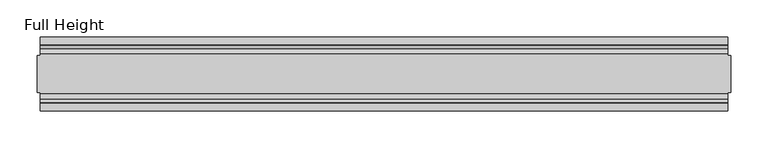
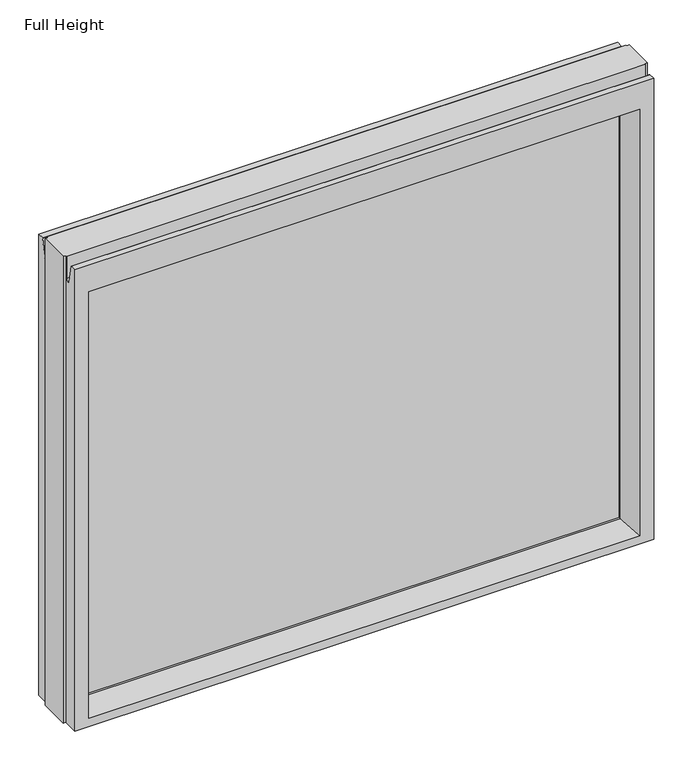
"""IFC4 building model written with IfcOpenShell, lengths in millimetres: plate geometry, Full Height."""

from ifc_helpers import new_model, si_unit, frame, origin, place, context, project, spatial, polyline, circle_curve, outline, extrude, source, transform, mapped, element, save
from ifc_brep_helpers import plane_surface, cylinder_surface, revolved_surface, advanced_brep


def full_height_91c9d0dd(model_context):
    return source(origin(), model_context, "Body", "SolidModel", [
        advanced_brep(
        [(463.330153, 50.0, 0.0), (463.330153, 25.146, 0.0), (467.902153, 25.146, 0.0), (467.902153, -25.146, 0.0), (463.330153, -25.146, 0.0), (463.330153, -50.0, 0.0), (-463.330153, -50.0, 0.0), (-463.330153, -25.146, 0.0), (-467.902153, -25.146, 0.0), (-467.902153, 25.146, 0.0), (-463.330153, 25.146, 0.0), (-463.330153, 50.0, 0.0), (467.902153, 25.146, 789.94), (463.330153, 25.146, 789.94), (463.330153, 26.67, 789.94), (-463.330153, 26.67, 789.94), (-463.330153, 25.146, 789.94), (-467.902153, 25.146, 789.94), (-467.902153, -25.146, 789.94), (-463.330153, -25.146, 789.94), (-463.330153, -26.67, 789.94), (463.330153, -26.67, 789.94), (463.330153, -25.146, 789.94), (467.902153, -25.146, 789.94), (-463.330153, 26.67, 752.729), (463.330153, 26.67, 752.729), (-463.330153, -50.0, 780.796), (-463.330153, -39.9371387, 780.796), (-463.330153, -39.1867152, 780.1663199), (-463.330153, -34.2321175, 752.0674004), (-463.330153, -26.67, 752.729), (-463.330153, 34.2321175, 752.0674004), (-463.330153, 39.1867152, 780.1663199), (-463.330153, 39.9371387, 780.796), (-463.330153, 50.0, 780.796), (463.330153, -50.0, 780.796), (-441.232153, -50.0, 736.219), (441.232153, -50.0, 736.219), (441.232153, -50.0, 13.9954), (-441.232153, -50.0, 13.9954), (463.330153, 50.0, 780.796), (-441.232153, 50.0, 13.9954), (441.232153, 50.0, 13.9954), (441.232153, 50.0, 736.219), (-441.232153, 50.0, 736.219), (-435.263153, -6.1006519, 18.3896), (-435.263153, -6.1006519, 730.25), (-435.263153, 6.1006519, 730.25), (-435.263153, 6.1006519, 18.3896), (435.263153, 6.1006519, 18.3896), (435.263153, 6.1006519, 730.25), (435.263153, -6.1006519, 730.25), (435.263153, -6.1006519, 18.3896), (463.330153, 39.9371387, 780.796), (463.330153, 39.1867152, 780.1663199), (463.330153, 34.2321175, 752.0674004), (463.330153, -26.67, 752.729), (463.330153, -34.2321175, 752.0674004), (463.330153, -39.1867152, 780.1663199), (463.330153, -39.9371387, 780.796)],
        [
            (0, 1),
            (1, 2),
            (2, 3),
            (3, 4),
            (4, 5),
            (5, 6),
            (6, 7),
            (7, 8),
            (8, 9),
            (9, 10),
            (10, 11),
            (11, 0),
            (12, 13),
            (13, 14),
            (14, 15),
            (15, 16),
            (16, 17),
            (17, 18),
            (18, 19),
            (19, 20),
            (20, 21),
            (21, 22),
            (22, 23),
            (23, 12),
            (1, 13),
            (12, 2),
            (22, 4),
            (3, 23),
            (17, 9),
            (8, 18),
            (7, 19),
            (16, 10),
            (24, 15),
            (14, 25),
            (25, 24),
            (6, 26),
            (26, 27),
            (27, 28, circle_curve(frame((-463.330153, -39.9371387, 780.034), z_axis=(-1.0, 0.0, 0.0), x_axis=(0.0, -1.0, 0.0)), 0.762)),
            (28, 29),
            (29, 30, circle_curve(frame((-463.330153, -30.48, 752.729), z_axis=(1.0, 0.0, 0.0), x_axis=(0.0, -1.0, 0.0)), 3.81)),
            (30, 20),
            (24, 31, circle_curve(frame((-463.330153, 30.48, 752.729), z_axis=(1.0, 0.0, 0.0), x_axis=(0.0, -1.0, 0.0)), 3.81)),
            (31, 32),
            (32, 33, circle_curve(frame((-463.330153, 39.9371387, 780.034), z_axis=(-1.0, 0.0, 0.0), x_axis=(0.0, -1.0, 0.0)), 0.762)),
            (33, 34),
            (34, 11),
            (5, 35),
            (35, 26),
            (36, 37),
            (37, 38),
            (38, 39),
            (39, 36),
            (34, 40),
            (40, 0),
            (41, 42),
            (42, 43),
            (43, 44),
            (44, 41),
            (39, 45),
            (45, 46),
            (46, 36),
            (44, 47),
            (47, 48),
            (48, 41),
            (42, 49),
            (49, 50),
            (50, 43),
            (51, 52),
            (52, 38),
            (37, 51),
            (40, 53),
            (53, 54, circle_curve(frame((463.330153, 39.9371387, 780.034), z_axis=(1.0, 0.0, 0.0), x_axis=(0.0, -1.0, 0.0)), 0.762)),
            (54, 55),
            (55, 25, circle_curve(frame((463.330153, 30.48, 752.729), z_axis=(-1.0, 0.0, 0.0), x_axis=(0.0, -1.0, 0.0)), 3.81)),
            (21, 56),
            (56, 57, circle_curve(frame((463.330153, -30.48, 752.729), z_axis=(-1.0, 0.0, 0.0), x_axis=(0.0, -1.0, 0.0)), 3.81)),
            (57, 58),
            (58, 59, circle_curve(frame((463.330153, -39.9371387, 780.034), z_axis=(1.0, 0.0, 0.0), x_axis=(0.0, -1.0, 0.0)), 0.762)),
            (59, 35),
            (33, 53),
            (59, 27),
            (30, 56),
            (46, 51),
            (31, 55),
            (54, 32),
            (58, 28),
            (57, 29),
            (52, 45),
            (48, 49),
            (50, 47),
            (46, 47),
            (50, 51),
            (52, 49),
            (48, 45),
        ],
        [
            plane_surface(frame((-463.330153, -50.0, 0.0), z_axis=(0.0, 0.0, -1.0), x_axis=(0.0, 1.0, 0.0))),
            plane_surface(frame((463.330153, 25.146, 789.94), z_axis=(0.0, 0.0, 1.0), x_axis=(-1.0, 0.0, 0.0))),
            plane_surface(frame((467.902153, 25.146, 789.94), z_axis=(0.0, 1.0, 0.0), x_axis=(0.0, 0.0, -1.0))),
            plane_surface(frame((463.330153, -25.146, 789.94), z_axis=(0.0, -1.0, 0.0), x_axis=(0.0, 0.0, -1.0))),
            plane_surface(frame((467.902153, -25.146, 789.94), z_axis=(1.0, 0.0, 0.0), x_axis=(0.0, 0.0, -1.0))),
            plane_surface(frame((-467.902153, 25.146, 789.94), z_axis=(-1.0, 0.0, 0.0), x_axis=(0.0, 0.0, -1.0))),
            plane_surface(frame((-467.902153, -25.146, 789.94), z_axis=(0.0, -1.0, 0.0), x_axis=(0.0, 0.0, -1.0))),
            plane_surface(frame((-463.330153, 25.146, 789.94), z_axis=(0.0, 1.0, 0.0), x_axis=(0.0, 0.0, -1.0))),
            plane_surface(frame((-463.330153, 26.67, 789.94), z_axis=(0.0, 1.0, 0.0), x_axis=(1.0, 0.0, 0.0))),
            plane_surface(frame((-463.330153, 50.0, 748.0046), z_axis=(-1.0, 0.0, 0.0), x_axis=(0.0, 0.0, -1.0))),
            plane_surface(frame((-463.330153, -50.0, 748.0046), z_axis=(0.0, -1.0, 0.0), x_axis=(0.0, 0.0, -1.0))),
            plane_surface(frame((-441.232153, 50.0, 748.0046), z_axis=(0.0, 1.0, 0.0), x_axis=(0.0, 0.0, -1.0))),
            plane_surface(frame((-441.232153, -50.0, 748.0046), z_axis=(0.990882294353361, -0.13473039277393772, 0.0), x_axis=(0.0, 0.0, -1.0))),
            plane_surface(frame((-435.263153, 6.1006519, 748.0046), z_axis=(0.990882294353361, 0.13473039277393709, 0.0), x_axis=(0.0, 0.0, -1.0))),
            plane_surface(frame((441.232153, 50.0, 748.0046), z_axis=(-0.9908822943533631, 0.13473039277392201, 0.0), x_axis=(0.0, 0.0, -1.0))),
            plane_surface(frame((435.263153, -6.1006519, 748.0046), z_axis=(-0.990882294353359, -0.13473039277395266, 0.0), x_axis=(0.0, 0.0, -1.0))),
            plane_surface(frame((463.330153, -50.0, 748.0046), z_axis=(1.0, 0.0, 0.0), x_axis=(0.0, 0.0, -1.0))),
            plane_surface(frame((-463.330153, 39.9371387, 780.796), z_axis=(0.0, 0.0, 1.0), x_axis=(1.0, 0.0, 0.0))),
            plane_surface(frame((-463.330153, -50.0, 780.796), z_axis=(0.0, 0.0, 1.0), x_axis=(1.0, 0.0, 0.0))),
            plane_surface(frame((-463.330153, -26.67, 752.729), z_axis=(0.0, -1.0, 0.0), x_axis=(1.0, 0.0, 0.0))),
            plane_surface(frame((-463.330153, -6.1006519, 730.25), z_axis=(0.0, -0.13473039277393184, -0.9908822943533617), x_axis=(1.0, 0.0, 0.0))),
            plane_surface(frame((-463.330153, 34.2321175, 752.0674004), z_axis=(0.0, -0.9848077530122081, 0.17364817766693033), x_axis=(1.0, 0.0, 0.0))),
            revolved_surface(polyline([(463.330153, 26.67, 752.729), (-463.330153, 26.67, 752.729)]), (463.330153, 30.48, 752.729), (1.0, 0.0, 0.0)),
            cylinder_surface(frame((463.330153, 39.9371387, 780.034), z_axis=(-1.0, 0.0, 0.0), x_axis=(0.0, -1.0, 0.0)), 0.762),
            cylinder_surface(frame((463.330153, -39.9371387, 780.034), z_axis=(-1.0, 0.0, 0.0), x_axis=(0.0, -1.0, 0.0)), 0.762),
            plane_surface(frame((-463.330153, -39.1867152, 780.1663199), z_axis=(0.0, 0.9848077530122004, 0.17364817766697438), x_axis=(1.0, 0.0, 0.0))),
            revolved_surface(polyline([(463.330153, -34.29, 752.729), (-463.330153, -34.29, 752.729)]), (463.330153, -30.48, 752.729), (1.0, 0.0, 0.0)),
            plane_surface(frame((-463.330153, -50.0, 13.9954), z_axis=(0.0, -0.09959943661133767, 0.9950276138010965), x_axis=(1.0, 0.0, 0.0))),
            plane_surface(frame((-463.330153, 6.1006519, 18.3896), z_axis=(0.0, 0.09959943661137731, 0.9950276138010926), x_axis=(1.0, 0.0, 0.0))),
            plane_surface(frame((-463.330153, 50.0, 736.219), z_axis=(0.0, 0.13473039277391685, -0.9908822943533637), x_axis=(1.0, 0.0, 0.0))),
            plane_surface(frame((-463.330153, 6.1006519, 730.25), z_axis=(0.0, 0.0, -1.0), x_axis=(1.0, 0.0, 0.0))),
            plane_surface(frame((-463.330153, -6.1006519, 18.3896), z_axis=(0.0, 0.0, 1.0), x_axis=(1.0, 0.0, 0.0))),
            plane_surface(frame((-435.263153, -6.1006519, 748.0046), z_axis=(1.0, 0.0, 0.0), x_axis=(0.0, 0.0, -1.0))),
            plane_surface(frame((435.263153, 6.1006519, 748.0046), z_axis=(-1.0, 0.0, 0.0), x_axis=(0.0, 0.0, -1.0))),
        ],
        [
            (0, [[1, 2, 3, 4, 5, 6, 7, 8, 9, 10, 11, 12]]),
            (1, [[13, 14, 15, 16, 17, 18, 19, 20, 21, 22, 23, 24]]),
            (2, [[25, -13, 26, -2]]),
            (3, [[-23, 27, -4, 28]]),
            (4, [[-24, -28, -3, -26]]),
            (5, [[-18, 29, -9, 30]]),
            (6, [[31, -19, -30, -8]]),
            (7, [[-17, 32, -10, -29]]),
            (8, [[33, -15, 34, 35]]),
            (9, [[-7, 36, 37, 38, 39, 40, 41, -20, -31]]),
            (9, [[-11, -32, -16, -33, 42, 43, 44, 45, 46]]),
            (10, [[-36, -6, 47, 48], [49, 50, 51, 52]]),
            (11, [[-12, -46, 53, 54], [55, 56, 57, 58]]),
            (12, [[-52, 59, 60, 61]]),
            (13, [[-58, 62, 63, 64]]),
            (14, [[-56, 65, 66, 67]]),
            (15, [[68, 69, -50, 70]]),
            (16, [[-1, -54, 71, 72, 73, 74, -34, -14, -25]]),
            (16, [[-47, -5, -27, -22, 75, 76, 77, 78, 79]]),
            (17, [[-45, 80, -71, -53]]),
            (18, [[-37, -48, -79, 81]]),
            (19, [[-41, 82, -75, -21]]),
            (20, [[-49, -61, 83, -70]]),
            (21, [[-43, 84, -73, 85]]),
            (22, [[-42, -35, -74, -84]]),
            (23, [[-44, -85, -72, -80]]),
            (24, [[-38, -81, -78, 86]]),
            (25, [[-39, -86, -77, 87]]),
            (26, [[-40, -87, -76, -82]]),
            (27, [[-51, -69, 88, -59]]),
            (28, [[-55, -64, 89, -65]]),
            (29, [[-57, -67, 90, -62]]),
            (30, [[-83, 91, -90, 92]]),
            (31, [[-88, 93, -89, 94]]),
            (32, [[-63, -91, -60, -94]]),
            (33, [[-68, -92, -66, -93]]),
        ],
    ),
        extrude(outline(polyline([(-435.263153, 3.175), (435.263153, 3.175), (435.263153, -3.175), (-435.263153, -3.175), (-435.263153, 3.175)])), frame((0.0, 0.0, 18.3896), z_axis=(0.0, 0.0, 1.0), x_axis=(1.0, 0.0, 0.0)), (0.0, 0.0, 1.0), 711.8604),
    ])


if __name__ == "__main__":
    model = new_model("IFC4")
    model_context = context("Model", 3, world=origin())
    ifc_project = project(units=[si_unit("LENGTHUNIT", "METRE", prefix="MILLI")], contexts=[model_context])
    site = spatial("IfcSite", under=ifc_project)
    building = spatial("IfcBuilding", under=site)
    placement = place(None, origin())
    full_height_shape = full_height_91c9d0dd(model_context)
    element("IfcPlate", 1, ObjectType="Full Height", at=placement, inside=building, context=model_context, shape_type="MappedRepresentation", body=[
        mapped(full_height_shape, transform((0.0, 0.0, 0.0), x_axis=(1.0, 0.0, 0.0), y_axis=(0.0, 1.0, 0.0), z_axis=(0.0, 0.0, 1.0))),
    ])
    save(model, "model.ifc")
